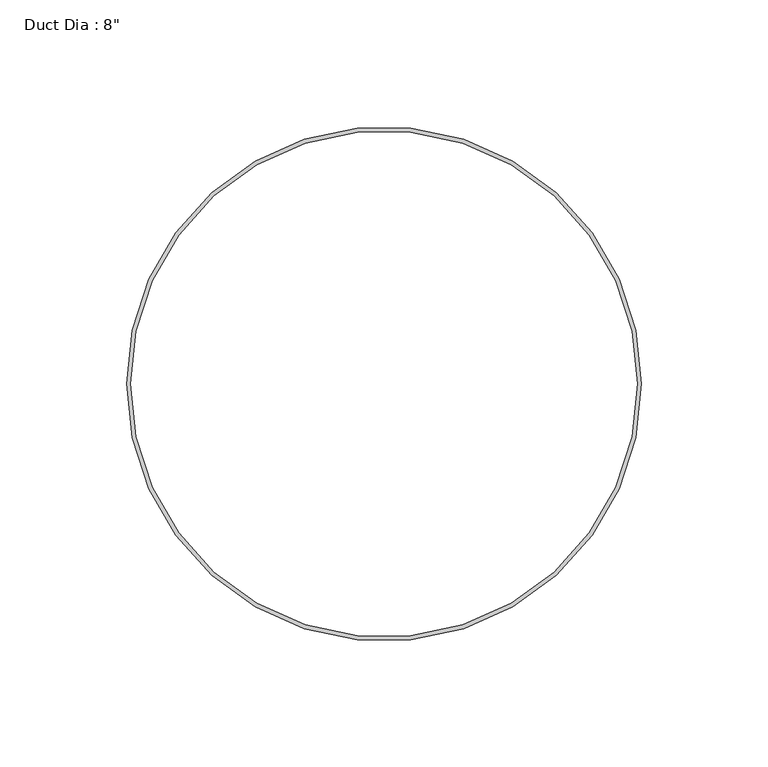
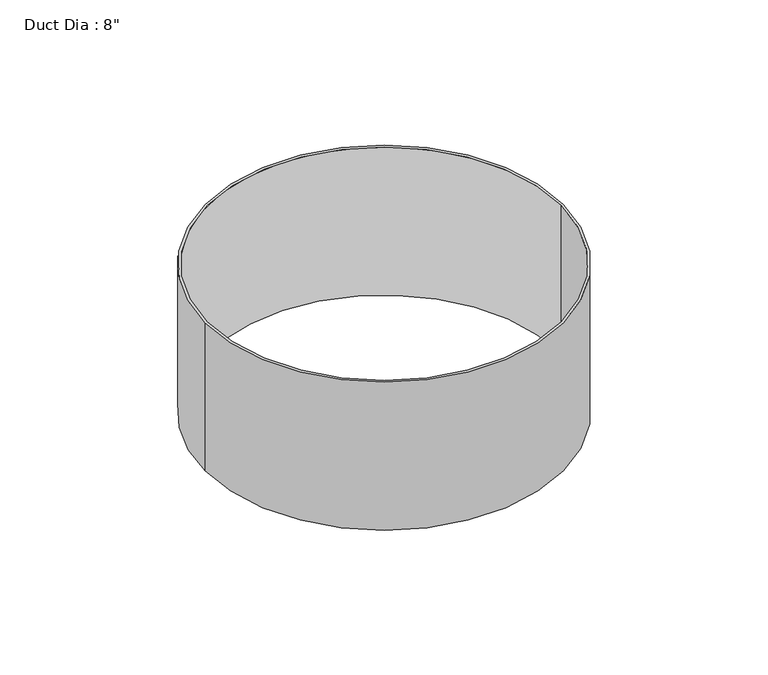
"""IFC4 building model written with IfcOpenShell, lengths in millimetres: proxy geometry."""

from ifc_helpers import new_model, si_unit, point, origin, origin_with_axes, origin_2d, place, context, project, spatial, circle_curve, trimmed, segment, composite_curve, outline, extrude, source, transform, mapped, element, save


def proxy_1217a2f7(model_context):
    return source(origin(), model_context, "Body", "SweptSolid", [
        extrude(outline(composite_curve([segment(trimmed(circle_curve(origin_2d(), 101.6), [point((-101.6, 0.0))], [point((101.6, 0.0))], False, "CARTESIAN"), True, "CONTINUOUS"), segment(trimmed(circle_curve(origin_2d(), 101.6), [point((101.6, 0.0))], [point((-101.6, 0.0))], False, "CARTESIAN"), True, "CONTINUOUS")], self_intersect=False), holes=[composite_curve([segment(trimmed(circle_curve(origin_2d(), 100.0125), [point((-100.0125, 0.0))], [point((100.0125, 0.0))], True, "CARTESIAN"), True, "CONTINUOUS"), segment(trimmed(circle_curve(origin_2d(), 100.0125), [point((100.0125, 0.0))], [point((-100.0125, 0.0))], True, "CARTESIAN"), True, "CONTINUOUS")], self_intersect=False)]), origin_with_axes(), (0.0, 0.0, 1.0), 88.9),
    ])


if __name__ == "__main__":
    model = new_model("IFC4")
    model_context = context("Model", 3, world=origin())
    ifc_project = project(units=[si_unit("LENGTHUNIT", "METRE", prefix="MILLI")], contexts=[model_context])
    site = spatial("IfcSite", under=ifc_project)
    building = spatial("IfcBuilding", under=site)
    placement = place(None, origin())
    proxy_shape = proxy_1217a2f7(model_context)
    element("IfcBuildingElementProxy", 1, Name="Duct Dia : 8\"", ObjectType="Duct Dia : 8\"", at=placement, inside=building, context=model_context, shape_type="MappedRepresentation", body=[
        mapped(proxy_shape, transform((0.0, 0.0, 0.0), x_axis=(1.0, 0.0, 0.0), y_axis=(0.0, 1.0, 0.0), z_axis=(0.0, 0.0, 1.0))),
    ])
    save(model, "model.ifc")
